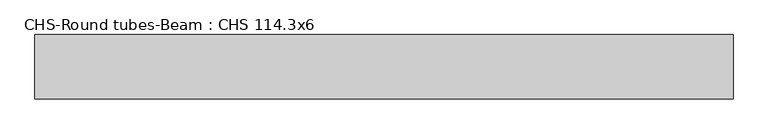
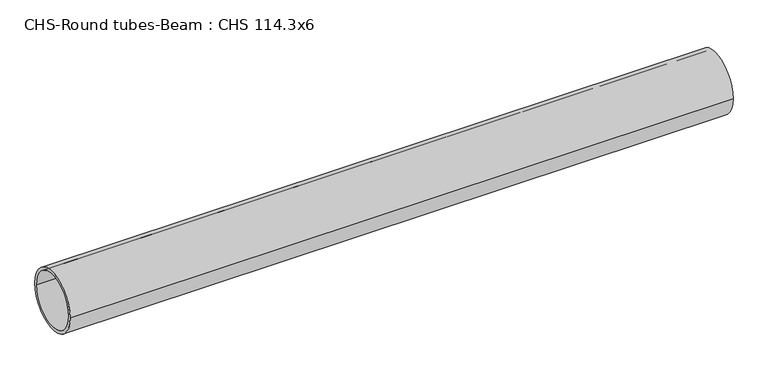
"""IFC4 building model written with IfcOpenShell, lengths in millimetres: beam geometry, CHS-Round tubes-Beam : CHS 114.3x6."""

from ifc_helpers import new_model, si_unit, point, frame, origin, origin_2d, place, context, project, spatial, circle_curve, trimmed, segment, composite_curve, outline, extrude, source, transform, mapped, element, save


def chs_round_tubes_beam_chs_114_3x6_5aa803cc(model_context):
    return source(origin(), model_context, "Body", "SweptSolid", [
        extrude(outline(composite_curve([segment(trimmed(circle_curve(origin_2d(), 57.15), [point((57.15, 0.0))], [point((-57.15, 0.0))], False, "CARTESIAN"), True, "CONTINUOUS"), segment(trimmed(circle_curve(origin_2d(), 57.15), [point((-57.15, 0.0))], [point((57.15, 0.0))], False, "CARTESIAN"), True, "CONTINUOUS")], self_intersect=False), holes=[composite_curve([segment(trimmed(circle_curve(origin_2d(), 51.15), [point((51.15, 0.0))], [point((-51.15, 0.0))], True, "CARTESIAN"), True, "CONTINUOUS"), segment(trimmed(circle_curve(origin_2d(), 51.15), [point((-51.15, 0.0))], [point((51.15, 0.0))], True, "CARTESIAN"), True, "CONTINUOUS")], self_intersect=False)]), frame((-620.4574687, 0.0, 0.0), z_axis=(1.0, 0.0, 0.0), x_axis=(0.0, 1.0, 0.0)), (0.0, 0.0, 1.0), 1240.9175556),
    ])


if __name__ == "__main__":
    model = new_model("IFC4")
    model_context = context("Model", 3, world=origin())
    ifc_project = project(units=[si_unit("LENGTHUNIT", "METRE", prefix="MILLI")], contexts=[model_context])
    site = spatial("IfcSite", under=ifc_project)
    building = spatial("IfcBuilding", under=site)
    placement = place(None, origin())
    chs_round_tubes_beam_chs_114_3x6_shape = chs_round_tubes_beam_chs_114_3x6_5aa803cc(model_context)
    element("IfcBeam", 1, ObjectType="CHS-Round tubes-Beam : CHS 114.3x6", at=placement, inside=building, context=model_context, shape_type="MappedRepresentation", body=[
        mapped(chs_round_tubes_beam_chs_114_3x6_shape, transform((0.0, 0.0, 0.0), x_axis=(1.0, 0.0, 0.0), y_axis=(0.0, 1.0, 0.0), z_axis=(0.0, 0.0, 1.0))),
    ])
    save(model, "model.ifc")
